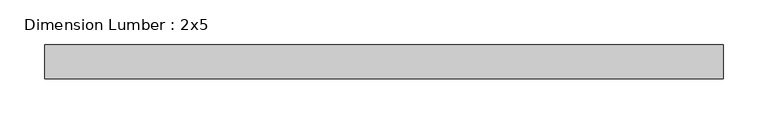
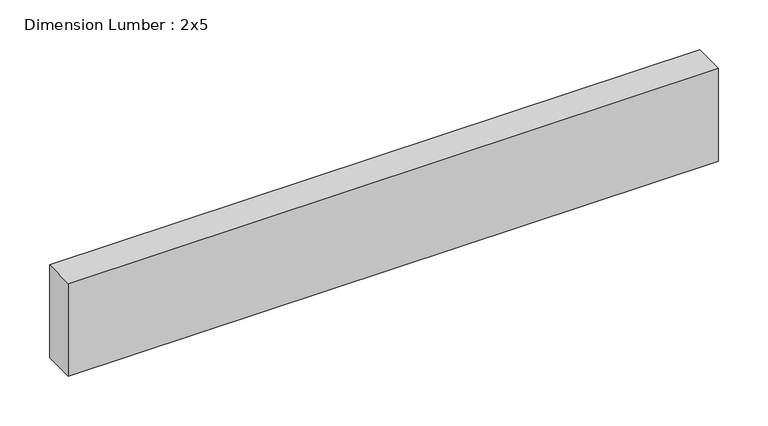
"""IFC4 building model written with IfcOpenShell, lengths in millimetres: beam geometry, Dimension Lumber : 2x5."""

from ifc_helpers import new_model, si_unit, frame, origin, place, context, project, spatial, polyline, outline, extrude, source, transform, mapped, element, save


def dimension_lumber_2x5_32722c99(model_context):
    return source(origin(), model_context, "Body", "SweptSolid", [
        extrude(outline(polyline([(378.8647631, 19.05), (378.8647631, -19.05), (-378.8647631, -19.05), (-378.8647631, 19.05), (378.8647631, 19.05)])), frame((0.0, 0.0, -57.15), z_axis=(0.0, 0.0, 1.0), x_axis=(1.0, 0.0, 0.0)), (0.0, 0.0, 1.0), 114.3),
    ])


if __name__ == "__main__":
    model = new_model("IFC4")
    model_context = context("Model", 3, world=origin())
    ifc_project = project(units=[si_unit("LENGTHUNIT", "METRE", prefix="MILLI")], contexts=[model_context])
    site = spatial("IfcSite", under=ifc_project)
    building = spatial("IfcBuilding", under=site)
    placement = place(None, origin())
    dimension_lumber_2x5_shape = dimension_lumber_2x5_32722c99(model_context)
    element("IfcBeam", 1, ObjectType="Dimension Lumber : 2x5", at=placement, inside=building, context=model_context, shape_type="MappedRepresentation", body=[
        mapped(dimension_lumber_2x5_shape, transform((0.0, 0.0, 0.0), x_axis=(1.0, 0.0, 0.0), y_axis=(0.0, 1.0, 0.0), z_axis=(0.0, 0.0, 1.0))),
    ])
    save(model, "model.ifc")
